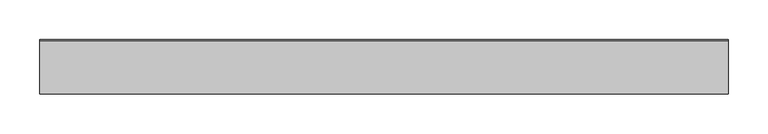
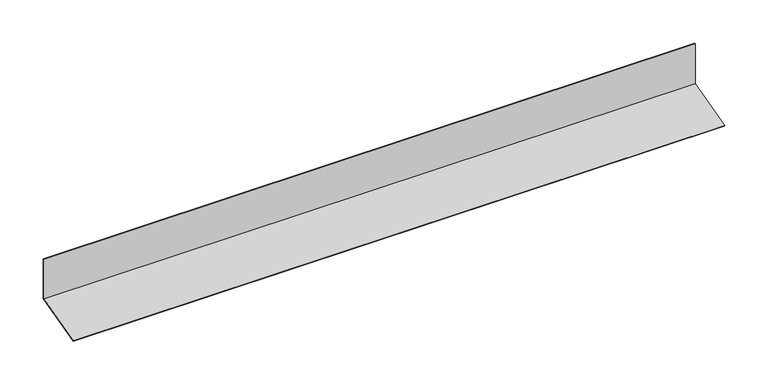
"""IFC4 building model written with IfcOpenShell, lengths in millimetres: proxy geometry."""

from ifc_helpers import new_model, si_unit, frame, origin, place, context, project, spatial, polyline, outline, extrude, source, transform, mapped, element, save


def generic_models_cf10fa64(model_context):
    return source(origin(), model_context, "Body", "SweptSolid", [
        extrude(outline(polyline([(-10126.265409, 1751.9323942), (-10126.265409, 1807.5776425), (-10125.265409, 1807.5776425), (-10125.265409, 1751.1650672), (-10193.5207455, 1732.8761049), (-10193.7795646, 1733.8420307), (-10126.265409, 1751.9323942)])), frame((-8472.5203158, 0.0, 0.0), z_axis=(1.0, 0.0, 0.0), x_axis=(0.0, 1.0, 0.0)), (0.0, 0.0, 1.0), 864.3564132),
    ])


if __name__ == "__main__":
    model = new_model("IFC4")
    model_context = context("Model", 3, world=origin())
    ifc_project = project(units=[si_unit("LENGTHUNIT", "METRE", prefix="MILLI")], contexts=[model_context])
    site = spatial("IfcSite", under=ifc_project)
    building = spatial("IfcBuilding", under=site)
    placement = place(None, origin())
    generic_models_shape = generic_models_cf10fa64(model_context)
    element("IfcBuildingElementProxy", 1, Name="Generic Models", at=placement, inside=building, context=model_context, shape_type="MappedRepresentation", body=[
        mapped(generic_models_shape, transform((0.0, 0.0, 0.0), x_axis=(1.0, 0.0, 0.0), y_axis=(0.0, 1.0, 0.0), z_axis=(0.0, 0.0, 1.0))),
    ])
    save(model, "model.ifc")
